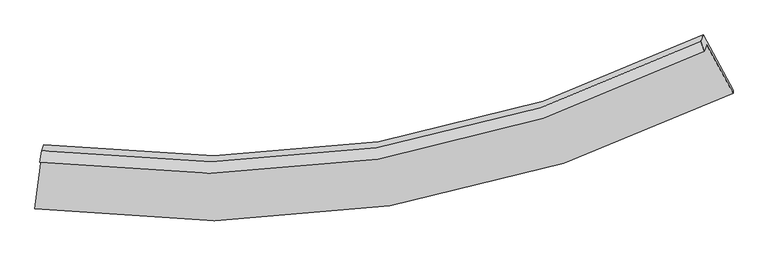
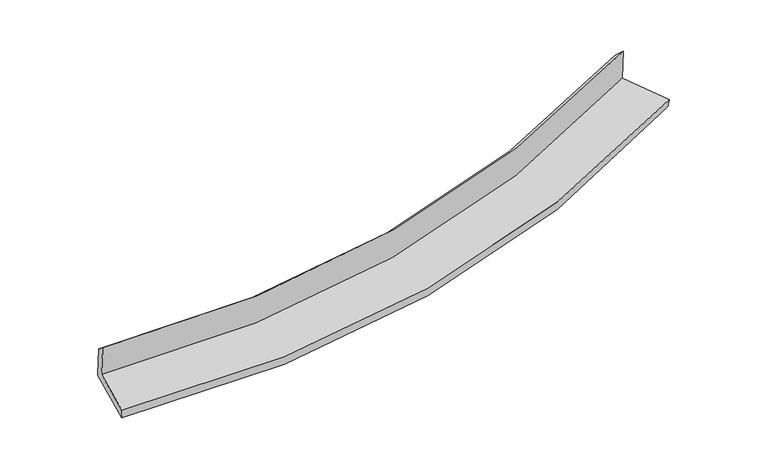
"""IFC4 building model written with IfcOpenShell, lengths in millimetres: proxy geometry."""

from ifc_helpers import new_model, si_unit, frame, origin, place, context, project, spatial, source, transform, mapped, element, save
from ifc_brep_helpers import plane_surface, spline_curve, spline_surface, advanced_brep


def generic_models_e8e096bc(model_context):
    return source(origin(), model_context, "Body", "AdvancedBrep", [
        advanced_brep(
        [(-3635.4927523, -1896.6156168, 1605.7960686), (-3711.7858655, -2467.0703274, 1505.0922284), (3816.9210992, -1219.8241491, 2204.3296414), (3533.8345665, -699.8783589, 2273.2400271), (-3661.3418453, -1963.4955492, 2004.2325154), (3507.6596985, -767.6011763, 2676.697952), (-3640.0747964, -1840.0066752, 1910.7207973), (3466.6106086, -659.646444, 2575.03897), (-3614.3654283, -1773.4882559, 1514.4380611), (3492.9234671, -591.5666007, 2169.4540677), (-3704.6598993, -2448.6331569, 1395.2529918), (3817.0522852, -1186.8948661, 2090.5529569)],
        [
            (0, 1),
            (1, 2, spline_curve(3, [(-3711.7858655, -2467.0703274, 1505.0922284), (-2402.578701428, -2647.327237969, 1561.230617975), (-1127.148567251, -2636.803947895, 1646.597582746), (1383.949396291, -2229.691216334, 1878.353638605), (2618.088250292, -1824.465780494, 2026.065811645), (3816.9210992, -1219.8241491, 2204.3296414)], [4, 2, 4], [0.0, 12.284298860178483, 24.84355552954119])),
            (2, 3),
            (3, 0, spline_curve(3, [(3533.8345665, -699.8783589, 2273.2400271), (2393.103825118, -1276.544968639, 2103.441422692), (1218.30938279, -1663.634940287, 1962.623442727), (-1172.941566265, -2054.337480694, 1741.397169708), (-2387.922896367, -2066.159927976, 1659.733830042), (-3635.4927523, -1896.6156168, 1605.7960686)], [4, 2, 4], [0.0, 12.559256669362709, 24.84355552954119])),
            (4, 0),
            (3, 5),
            (5, 4, spline_curve(3, [(3507.6596985, -767.6011763, 2676.697952), (2366.378147562, -1345.692907822, 2515.389496875), (1191.33910016, -1733.415750894, 2378.34183901), (-1199.789995852, -2123.803019975, 2155.237340617), (-2414.418130163, -2134.711634741, 2068.129853444), (-3661.3418453, -1963.4955492, 2004.2325154)], [4, 2, 4], [0.0, 12.253376945696504, 24.23849265836032])),
            (6, 4),
            (5, 7),
            (7, 6, spline_curve(3, [(3466.6106086, -659.646444, 2575.03897), (2335.294874609, -1232.297020397, 2409.458735518), (1170.492182846, -1616.006071495, 2270.992876797), (-1199.853151491, -2001.277107248, 2050.727711312), (-2403.94559466, -2011.02146687, 1967.754179163), (-3640.0747964, -1840.0066752, 1910.7207973)], [4, 2, 4], [0.0, 12.199803863907873, 24.13251936174387])),
            (8, 6),
            (7, 9),
            (9, 8, spline_curve(3, [(3492.9234671, -591.5666007, 2169.4540677), (2361.61226325, -1164.205455665, 2003.804002741), (1196.760401627, -1548.041725608, 1866.096049841), (-1173.788421743, -1933.83925315, 1648.967452676), (-2378.032858222, -1943.976868494, 1568.336737074), (-3614.3654283, -1773.4882559, 1514.4380611)], [4, 2, 4], [0.0, 12.146159883887375, 24.026405820827403])),
            (10, 8),
            (9, 11),
            (11, 10, spline_curve(3, [(3817.0522852, -1186.8948661, 2090.5529569), (2622.935371478, -1805.346327037, 1913.138369582), (1391.72426082, -2218.634813204, 1766.181542081), (-1117.119549975, -2630.329376478, 1535.733902283), (-2393.145833689, -2637.620320792, 1450.924074992), (-3704.6598993, -2448.6331569, 1395.2529918)], [4, 2, 4], [0.0, 12.50615971018198, 24.738524054463998])),
            (1, 10),
            (11, 2),
        ],
        [
            spline_surface(3, 3, [[(-3635.4927523, -1896.6156168, 1605.7960686), (-2387.922896401, -2066.159928071, 1659.73382986), (-1172.9415661, -2054.337480676, 1741.39716953), (1218.309382621, -1663.634940305, 1962.623442909), (2393.10382524, -1276.544968444, 2103.441422792), (3533.8345665, -699.8783589, 2273.2400271)], [(-3660.923790027, -2086.767186999, 1572.228121856), (-2392.808164805, -2259.882364754, 1626.89942593), (-1157.677233204, -2248.492969755, 1709.797307284), (1273.522720511, -1852.320365682, 1934.533508147), (2468.098633595, -1459.185239159, 2077.649552407), (3628.196744068, -873.193622303, 2250.26989854)], [(-3686.354827773, -2276.918757201, 1538.660175144), (-2397.693433226, -2453.60480144, 1594.065022031), (-1142.412900226, -2442.648458775, 1678.197445005), (1328.736058482, -2041.005791, 1906.443573352), (2543.093441946, -1641.825509865, 2051.857682003), (3722.558921632, -1046.508885697, 2227.29976996)], [(-3711.7858655, -2467.0703274, 1505.0922284), (-2402.57870163, -2647.327238123, 1561.230618101), (-1127.14856733, -2636.803947853, 1646.59758276), (1383.949396372, -2229.691216377, 1878.353638591), (2618.088250301, -1824.465780581, 2026.065811617), (3816.9210992, -1219.8241491, 2204.3296414)]], [4, 4], [4, 2, 4], [0.0, 1.9382437302770832], [0.0, 12.284298860178483, 24.84355552954119]),
            spline_surface(3, 3, [[(-3661.3418453, -1963.4955492, 2004.2325154), (-2414.418130154, -2134.711634794, 2068.129853423), (-1199.789996043, -2123.803020009, 2155.23734074), (1191.339100355, -1733.41575086, 2378.341838884), (2366.378147539, -1345.692908018, 2515.389497047), (3507.6596985, -767.6011763, 2676.697952)], [(-3652.725480977, -1941.202238391, 1871.420366492), (-2405.58638558, -2111.861065877, 1931.997845594), (-1190.840519367, -2100.64784021, 2017.290617003), (1200.329194472, -1710.155480654, 2239.769040225), (2375.286706784, -1322.643594798, 2378.073472269), (3516.384654511, -745.026903806, 2542.211977006)], [(-3644.109116623, -1918.908927609, 1738.608217508), (-2396.754640975, -2089.010496988, 1795.865837688), (-1181.891042776, -2077.492660475, 1879.343893267), (1209.319288504, -1686.895210511, 2101.196241568), (2384.195265996, -1299.594281663, 2240.757447571), (3525.109610489, -722.452631394, 2407.726002094)], [(-3635.4927523, -1896.6156168, 1605.7960686), (-2387.922896401, -2066.159928071, 1659.73382986), (-1172.9415661, -2054.337480676, 1741.39716953), (1218.309382621, -1663.634940305, 1962.623442909), (2393.10382524, -1276.544968444, 2103.441422792), (3533.8345665, -699.8783589, 2273.2400271)]], [4, 4], [4, 2, 4], [0.0, 1.3827473460941528], [0.0, 11.985115712663818, 24.23849265836032]),
            spline_surface(3, 3, [[(-3640.0747964, -1840.0066752, 1910.7207973), (-2403.945594555, -2011.021466795, 1967.75417923), (-1199.85315137, -2001.277107296, 2050.727711409), (1170.492182722, -1616.006071447, 2270.992876698), (2335.29487455, -1232.297020537, 2409.458735411), (3466.6106086, -659.646444, 2575.03897)], [(-3647.163812682, -1881.169633215, 1941.891369994), (-2407.436439737, -2052.25152281, 2001.212737287), (-1199.832099623, -2042.119078224, 2085.564254511), (1177.441155238, -1655.142631275, 2306.775864084), (2345.655965557, -1270.095649704, 2444.768989306), (3480.293638577, -695.631354773, 2608.92529735)], [(-3654.252829018, -1922.332591185, 1973.061942706), (-2410.927284972, -2093.48157878, 2034.671295365), (-1199.81104779, -2082.96104908, 2120.400797638), (1184.390127839, -1694.279191031, 2342.558851497), (2356.017056533, -1307.894278851, 2480.079243152), (3493.976668523, -731.616265527, 2642.81162465)], [(-3661.3418453, -1963.4955492, 2004.2325154), (-2414.418130154, -2134.711634794, 2068.129853423), (-1199.789996043, -2123.803020009, 2155.23734074), (1191.339100355, -1733.41575086, 2378.341838884), (2366.378147539, -1345.692908018, 2515.389497047), (3507.6596985, -767.6011763, 2676.697952)]], [4, 4], [4, 2, 4], [0.0, 0.5261652176394662], [0.0, 11.932715497835998, 24.13251936174387]),
            spline_surface(3, 3, [[(-3614.3654283, -1773.4882559, 1514.4380611), (-2378.032858246, -1943.97686841, 1568.336737037), (-1173.788421619, -1933.839253145, 1648.967452756), (1196.7604015, -1548.041725614, 1866.096049759), (2361.612263376, -1164.205455823, 2003.804002921), (3492.9234671, -591.5666007, 2169.4540677)], [(-3622.935217681, -1795.661062326, 1646.5323065), (-2386.67043703, -1966.325067865, 1701.475884434), (-1182.476664846, -1956.318537838, 1782.887538994), (1188.004328597, -1570.696507535, 2001.061658758), (2352.839800431, -1186.902644064, 2139.022247096), (3484.152514264, -614.259881803, 2304.649035144)], [(-3631.505007019, -1817.833868774, 1778.6265519), (-2395.308015771, -1988.673267341, 1834.615031832), (-1191.164908143, -1978.797822602, 1916.807625171), (1179.248255625, -1593.351289526, 2136.027267698), (2344.067337495, -1209.599832296, 2274.240491237), (3475.381561436, -636.953162897, 2439.844002556)], [(-3640.0747964, -1840.0066752, 1910.7207973), (-2403.945594555, -2011.021466795, 1967.75417923), (-1199.85315137, -2001.277107296, 2050.727711409), (1170.492182722, -1616.006071447, 2270.992876698), (2335.29487455, -1232.297020537, 2409.458735411), (3466.6106086, -659.646444, 2575.03897)]], [4, 4], [4, 2, 4], [0.0, 1.344626923041681], [0.0, 11.880245936940028, 24.026405820827403]),
            spline_surface(3, 3, [[(-3704.6598993, -2448.6331569, 1395.2529918), (-2393.145833598, -2637.620320813, 1450.924074876), (-1117.119549802, -2630.329376528, 1535.733902399), (1391.724260644, -2218.634813153, 1766.181541963), (2622.935371686, -1805.346327155, 1913.138369425), (3817.0522852, -1186.8948661, 2090.5529569)], [(-3674.561742289, -2223.584856589, 1434.981348246), (-2388.108175136, -2406.405836701, 1490.061628943), (-1136.009173763, -2398.166002064, 1573.478419182), (1326.736307575, -1995.10378397, 1799.486377892), (2535.827668911, -1591.632703388, 1943.360247238), (3709.009345828, -988.452110976, 2116.853327147)], [(-3644.463585311, -1998.536556211, 1474.709704654), (-2383.070516707, -2175.191352522, 1529.199182971), (-1154.898797659, -2166.002627609, 1611.222935973), (1261.74835457, -1771.572754797, 1832.791213829), (2448.719966151, -1377.919079591, 1973.582125108), (3600.966406472, -790.009355824, 2143.153697453)], [(-3614.3654283, -1773.4882559, 1514.4380611), (-2378.032858246, -1943.97686841, 1568.336737037), (-1173.788421619, -1933.839253145, 1648.967452756), (1196.7604015, -1548.041725614, 1866.096049759), (2361.612263376, -1164.205455823, 2003.804002921), (3492.9234671, -591.5666007, 2169.4540677)]], [4, 4], [4, 2, 4], [0.0, 2.306812394041108], [0.0, 12.232364344282018, 24.738524054463998]),
            spline_surface(3, 3, [[(-3711.7858655, -2467.0703274, 1505.0922284), (-2402.57870163, -2647.327238123, 1561.230618101), (-1127.14856733, -2636.803947853, 1646.59758276), (1383.949396372, -2229.691216377, 1878.353638591), (2618.088250301, -1824.465780581, 2026.065811617), (3816.9210992, -1219.8241491, 2204.3296414)], [(-3709.410543443, -2460.92460388, 1468.479149512), (-2399.434412296, -2644.091598999, 1524.461770338), (-1123.805561462, -2634.645757415, 1609.64302262), (1386.541017822, -2226.005748639, 1840.962939695), (2619.703957415, -1818.092629444, 1988.423330899), (3816.964827852, -1208.847721438, 2166.404079912)], [(-3707.035221357, -2454.77888042, 1431.866070688), (-2396.290122932, -2640.855959937, 1487.692922639), (-1120.462555671, -2632.487566966, 1572.688462539), (1389.132639194, -2222.320280891, 1803.572240858), (2621.319664572, -1811.719478292, 1950.780850143), (3817.008556548, -1197.871293762, 2128.478518388)], [(-3704.6598993, -2448.6331569, 1395.2529918), (-2393.145833598, -2637.620320813, 1450.924074876), (-1117.119549802, -2630.329376528, 1535.733902399), (1391.724260644, -2218.634813153, 1766.181541963), (2622.935371686, -1805.346327155, 1913.138369425), (3817.0522852, -1186.8948661, 2090.5529569)]], [4, 4], [4, 2, 4], [0.0, 0.3682153182886383], [0.0, 12.583994028647504, 25.449653903126933]),
            plane_surface(frame((3605.8336208, -854.2352658, 2331.5522692), z_axis=(0.8776836603695534, 0.46007659871648426, 0.13416749097219471), x_axis=(-0.06385067599290972, -0.16520227231415915, 0.9841906829458847))),
            plane_surface(frame((-3661.2867645, -2064.8849302, 1655.9221104), z_axis=(-0.9893800041180254, 0.1395175164630087, -0.04076849336694284), x_axis=(0.13057679206759878, 0.9763416778066139, 0.17235611260150138))),
        ],
        [
            (0, [[1, 2, 3, 4]]),
            (1, [[5, -4, 6, 7]]),
            (2, [[8, -7, 9, 10]]),
            (3, [[11, -10, 12, 13]]),
            (4, [[14, -13, 15, 16]]),
            (5, [[17, -16, 18, -2]]),
            (6, [[-12, -9, -6, -3, -18, -15]]),
            (7, [[-1, -5, -8, -11, -14, -17]]),
        ],
    ),
    ])


if __name__ == "__main__":
    model = new_model("IFC4")
    model_context = context("Model", 3, world=origin())
    ifc_project = project(units=[si_unit("LENGTHUNIT", "METRE", prefix="MILLI")], contexts=[model_context])
    site = spatial("IfcSite", under=ifc_project)
    building = spatial("IfcBuilding", under=site)
    placement = place(None, origin())
    generic_models_shape = generic_models_e8e096bc(model_context)
    element("IfcBuildingElementProxy", 1, Name="Generic Models", at=placement, inside=building, context=model_context, shape_type="MappedRepresentation", body=[
        mapped(generic_models_shape, transform((0.0, 0.0, 0.0), x_axis=(1.0, 0.0, 0.0), y_axis=(0.0, 1.0, 0.0), z_axis=(0.0, 0.0, 1.0))),
    ])
    save(model, "model.ifc")
